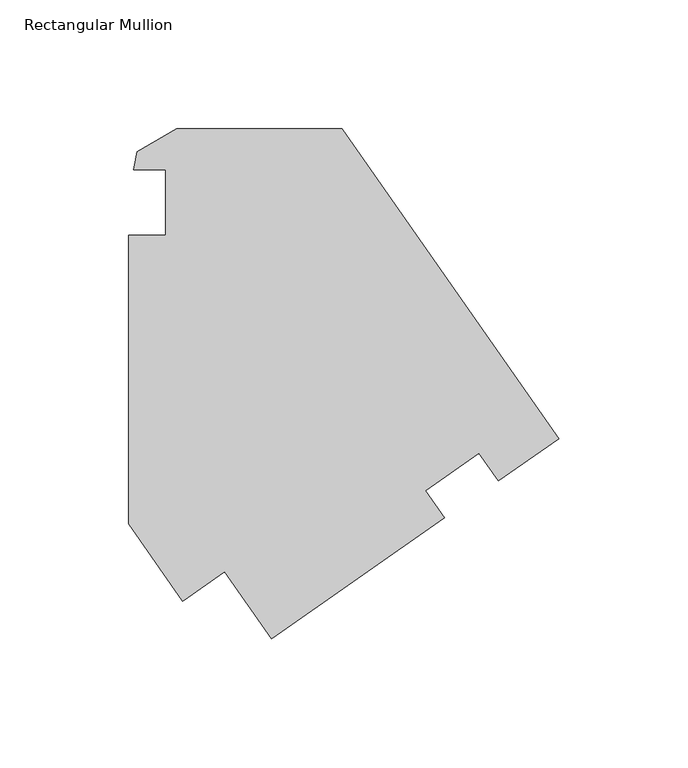
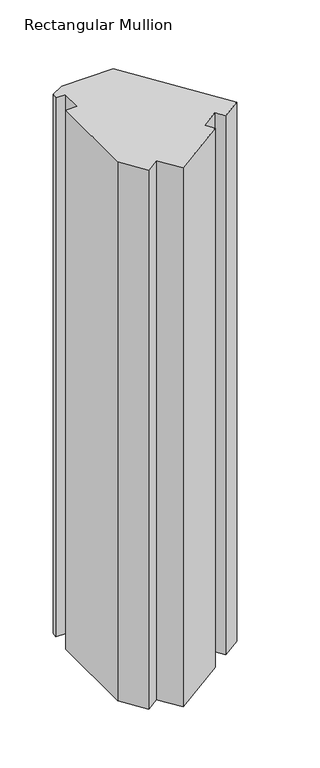
"""IFC4 building model written with IfcOpenShell, lengths in millimetres: member geometry, Rectangular Mullion."""

from ifc_helpers import new_model, si_unit, frame, origin, place, context, project, spatial, polyline, outline, extrude, source, transform, mapped, element, save


def rectangular_mullion_0daa261a(model_context):
    return source(origin(), model_context, "Body", "SweptSolid", [
        extrude(outline(polyline([(-44.4038323, -122.2024767), (-111.4062886, -169.1090203), (-129.6197447, -143.1026266), (-145.8685395, -154.4823939), (-166.7994951, -124.5957721), (-166.809835, -12.745546), (-152.5246594, -12.745546), (-152.5287708, 12.6597191), (-164.8650835, 12.6585787), (-163.6306928, 19.6629426), (-148.25801, 28.5388377), (-84.1000937, 28.5492207), (0.0, -91.5168003), (-23.4169192, -107.91673), (-30.9046265, -97.2252794), (-51.6977904, -111.7876743), (-44.4038323, -122.2024767)])), frame((0.0, 0.0, -706.8411384), z_axis=(0.0, 0.0, 1.0), x_axis=(1.0, 0.0, 0.0)), (0.0, 0.0, 1.0), 706.8411384),
    ])


if __name__ == "__main__":
    model = new_model("IFC4")
    model_context = context("Model", 3, world=origin())
    ifc_project = project(units=[si_unit("LENGTHUNIT", "METRE", prefix="MILLI")], contexts=[model_context])
    site = spatial("IfcSite", under=ifc_project)
    building = spatial("IfcBuilding", under=site)
    placement = place(None, origin())
    rectangular_mullion_shape = rectangular_mullion_0daa261a(model_context)
    element("IfcMember", 1, ObjectType="Rectangular Mullion", at=placement, inside=building, context=model_context, shape_type="MappedRepresentation", body=[
        mapped(rectangular_mullion_shape, transform((0.0, 0.0, 0.0), x_axis=(1.0, 0.0, 0.0), y_axis=(0.0, 1.0, 0.0), z_axis=(0.0, 0.0, 1.0))),
    ])
    save(model, "model.ifc")
